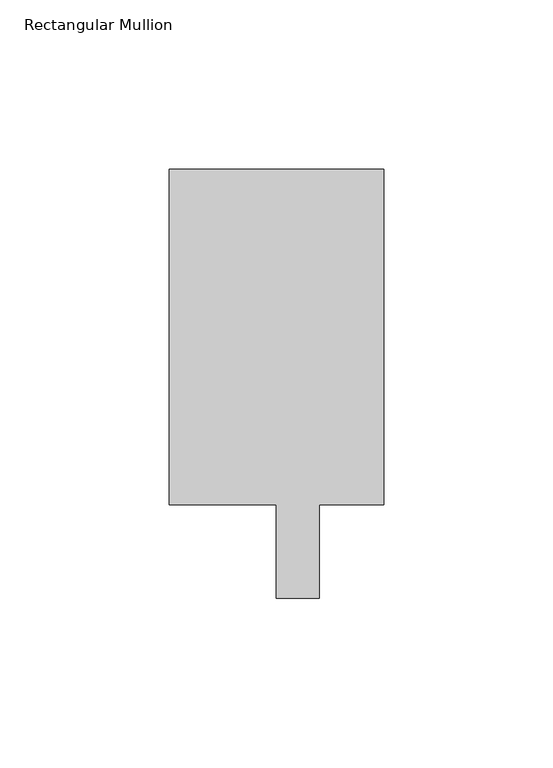
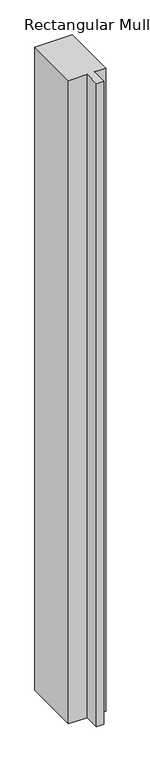
"""IFC4 building model written with IfcOpenShell, lengths in millimetres: member geometry, Rectangular Mullion."""

import ifcopenshell
import ifcopenshell.guid

model = None  # the IFC model being written
_history = None  # IfcOwnerHistory: only IFC2X3 demands one
_inside = {}  # id of a spatial element -> (the spatial element, [elements in it])
_under = {}  # id of a project, library or spatial element -> (it, [spatial elements below it])
_declared = {}  # id of a project -> (the project, [libraries it declares])
_typed = {}  # id of a type object -> (the type object, [elements of that type])
_made_of = {}  # id of a material, layer set ... -> (it, [elements and type objects made of it])


def new_model(schema):
    """Start an empty IFC model of exactly this schema.

    Asked for "IFC4X3", IfcOpenShell would pick the latest addendum, in which some entities
    have other attributes; the version numbers below select the first issue.
    IFC2X3 requires an IfcOwnerHistory on every rooted entity: one is made here for all.
    """
    global model, _history
    if schema == "IFC4X3":
        model = ifcopenshell.file(schema_version=(4, 3, 0, 0))
    else:
        model = ifcopenshell.file(schema=schema)
    _inside.clear()
    _under.clear()
    _declared.clear()
    _typed.clear()
    _made_of.clear()
    _history = None
    if model.schema == "IFC2X3":
        org = make("IfcOrganization", Name="unknown")
        user = make(
            "IfcPersonAndOrganization",
            ThePerson=make("IfcPerson", FamilyName="unknown"),
            TheOrganization=org,
        )
        app = make(
            "IfcApplication",
            ApplicationDeveloper=org,
            Version="unknown",
            ApplicationFullName="unknown",
            ApplicationIdentifier="unknown",
        )
        _history = make(
            "IfcOwnerHistory",
            OwningUser=user,
            OwningApplication=app,
            ChangeAction="ADDED",
            CreationDate=0,
        )
    return model


def make(cls, **values):
    """One entity of the class cls with the attributes given. An attribute that is None is left unset."""
    return model.create_entity(
        cls, **{name: value for name, value in values.items() if value is not None}
    )


def rooted(cls, **values):
    """An entity with a GlobalId (a new one), such as an element, a storey or a relation."""
    return make(cls, GlobalId=ifcopenshell.guid.new(), OwnerHistory=_history, **values)


def si_unit(unit_type, name, prefix=None):
    """IfcSIUnit, for example si_unit("LENGTHUNIT", "METRE", prefix="MILLI")."""
    return make("IfcSIUnit", UnitType=unit_type, Prefix=prefix, Name=name)


def assignment(units):
    """IfcUnitAssignment: the units of a project."""
    return None if units is None else make("IfcUnitAssignment", Units=units)


def point(xyz):
    """IfcCartesianPoint."""
    return None if xyz is None else make("IfcCartesianPoint", Coordinates=xyz)


def direction(xyz):
    """IfcDirection."""
    return None if xyz is None else make("IfcDirection", DirectionRatios=xyz)


def frame(location, z_axis=None, x_axis=None):
    """IfcAxis2Placement3D, a coordinate frame: its origin and axes. An axis left out is left unset."""
    return make(
        "IfcAxis2Placement3D",
        Location=point(location),
        Axis=direction(z_axis),
        RefDirection=direction(x_axis),
    )


def origin():
    """The frame at (0, 0, 0) with its axes left unset."""
    return frame((0.0, 0.0, 0.0))


def place(relative_to, where):
    """IfcLocalPlacement: puts the frame where relative to a parent placement (None: the world)."""
    return make(
        "IfcLocalPlacement", PlacementRelTo=relative_to, RelativePlacement=where
    )


def context(
    kind, dimensions, precision=None, world=None, true_north=None, identifier=None
):
    """IfcGeometricRepresentationContext, for example the 3D "Model" context."""
    return make(
        "IfcGeometricRepresentationContext",
        ContextIdentifier=identifier,
        ContextType=kind,
        CoordinateSpaceDimension=dimensions,
        Precision=precision,
        WorldCoordinateSystem=world,
        TrueNorth=true_north,
    )


def project(units=None, contexts=None):
    """IfcProject with its units and contexts."""
    return rooted(
        "IfcProject",
        Name="project",
        RepresentationContexts=contexts,
        UnitsInContext=assignment(units),
    )


def spatial(cls, under=None, at=None, **own):
    """A site, building, storey or space (cls), placed at a placement, below another one or the project."""
    s = rooted(cls, ObjectPlacement=at, **own)
    if under is not None:
        _under.setdefault(under.id(), (under, []))[1].append(s)
    return s


def polyline(points):
    """IfcPolyline through the points."""
    return make("IfcPolyline", Points=[point(p) for p in points])


def outline(outer, holes=None, kind="AREA"):
    """IfcArbitraryClosedProfileDef: a profile drawn as a closed curve; with holes, ...WithVoids."""
    if holes is None:
        return make("IfcArbitraryClosedProfileDef", ProfileType=kind, OuterCurve=outer)
    return make(
        "IfcArbitraryProfileDefWithVoids",
        ProfileType=kind,
        OuterCurve=outer,
        InnerCurves=holes,
    )


def extrude(swept, where, along, depth):
    """IfcExtrudedAreaSolid: the profile swept, set in the frame where, extruded along a direction by depth."""
    return make(
        "IfcExtrudedAreaSolid",
        SweptArea=swept,
        Position=where,
        ExtrudedDirection=direction(along),
        Depth=depth,
    )


def shape(context_of_items, identifier, shape_type, items):
    """IfcShapeRepresentation: the items that make up one representation, for example the "Body"."""
    return make(
        "IfcShapeRepresentation",
        ContextOfItems=context_of_items,
        RepresentationIdentifier=identifier,
        RepresentationType=shape_type,
        Items=items,
    )


def source(mapping_origin, context_of_items, identifier, shape_type, items):
    """IfcRepresentationMap: a shape defined once, which mapped items show again and again."""
    return make(
        "IfcRepresentationMap",
        MappingOrigin=mapping_origin,
        MappedRepresentation=shape(context_of_items, identifier, shape_type, items),
    )


def transform(
    local_origin,
    x_axis=None,
    y_axis=None,
    z_axis=None,
    scale=None,
    scale2=None,
    scale3=None,
    uniform=True,
):
    """IfcCartesianTransformationOperator3D, or its non-uniform kind. x_axis, y_axis, z_axis: its Axis1, 2, 3."""
    if uniform:
        return make(
            "IfcCartesianTransformationOperator3D",
            Axis1=direction(x_axis),
            Axis2=direction(y_axis),
            LocalOrigin=point(local_origin),
            Scale=scale,
            Axis3=direction(z_axis),
        )
    return make(
        "IfcCartesianTransformationOperator3DnonUniform",
        Axis1=direction(x_axis),
        Axis2=direction(y_axis),
        LocalOrigin=point(local_origin),
        Scale=scale,
        Axis3=direction(z_axis),
        Scale2=scale2,
        Scale3=scale3,
    )


def mapped(mapping_source, mapping_target):
    """IfcMappedItem: shows the shape of a source again, moved by a transform."""
    return make(
        "IfcMappedItem", MappingSource=mapping_source, MappingTarget=mapping_target
    )


def made_of(thing, what):
    """Note that an element or type object is made of a material, layer set ...; save() writes the relation."""
    if what is not None:
        _made_of.setdefault(what.id(), (what, []))[1].append(thing)
    return thing


def element(
    cls,
    number,
    at=None,
    inside=None,
    cuts=None,
    type_object=None,
    material=None,
    context=None,
    identifier="Body",
    shape_type=None,
    held_by="IfcProductDefinitionShape",
    body=None,
    shapes=None,
    **own,
):
    """One element of the class cls, such as IfcWall. Its Tag is "e" and its number.

    at: its placement. inside: the storey or other place that contains it. cuts: it is an
    opening in that element (IfcRelVoidsElement). A single representation is given by context,
    identifier, shape_type and body (its items); several are given by shapes. held_by: the class
    of the entity that holds the representations. save() writes the other relations.
    """
    e = rooted(cls, Tag="e%d" % number, ObjectPlacement=at, **own)
    if body is not None:
        shapes = [shape(context, identifier, shape_type, body)]
    if shapes is not None:
        e.Representation = make(held_by, Representations=shapes)
    if inside is not None:
        _inside.setdefault(inside.id(), (inside, []))[1].append(e)
    if cuts is not None:
        rooted(
            "IfcRelVoidsElement", RelatingBuildingElement=cuts, RelatedOpeningElement=e
        )
    if type_object is not None:
        _typed.setdefault(type_object.id(), (type_object, []))[1].append(e)
    return made_of(e, material)


def aggregate(whole, parts):
    """IfcRelAggregates: a whole, such as a stair, and the parts it consists of."""
    return rooted("IfcRelAggregates", RelatingObject=whole, RelatedObjects=parts)


def save(model, path):
    """Write the relations noted so far, then the file.

    IfcRelAggregates (storeys below a building ...), IfcRelContainedInSpatialStructure (elements
    in a storey), IfcRelDefinesByType, IfcRelAssociatesMaterial and IfcRelDeclares: one each for
    every whole, place, type object, material and project.
    """
    for whole, parts in _under.values():
        aggregate(whole, parts)
    for where, things in _inside.values():
        rooted(
            "IfcRelContainedInSpatialStructure",
            RelatedElements=things,
            RelatingStructure=where,
        )
    for kind, things in _typed.values():
        rooted("IfcRelDefinesByType", RelatedObjects=things, RelatingType=kind)
    for what, things in _made_of.values():
        rooted("IfcRelAssociatesMaterial", RelatedObjects=things, RelatingMaterial=what)
    for by, libraries in _declared.values():
        rooted("IfcRelDeclares", RelatingContext=by, RelatedDefinitions=libraries)
    model.write(path)


def rectangular_mullion_734f09f2(model_context):
    return source(origin(), model_context, "Body", "SweptSolid", [
        extrude(outline(polyline([(-31.75, 138.7038437), (31.75, 138.7038437), (31.75, 39.3898437), (12.7, 39.3898437), (12.7, 11.7038437), (0.0, 11.7038437), (0.0, 39.3898437), (-31.75, 39.3898437), (-31.75, 138.7038437)])), frame((0.0, 0.0, -1162.05), z_axis=(0.0, 0.0, 1.0), x_axis=(1.0, 0.0, 0.0)), (0.0, 0.0, 1.0), 1162.05),
    ])


if __name__ == "__main__":
    model = new_model("IFC4")
    model_context = context("Model", 3, world=origin())
    ifc_project = project(units=[si_unit("LENGTHUNIT", "METRE", prefix="MILLI")], contexts=[model_context])
    site = spatial("IfcSite", under=ifc_project)
    building = spatial("IfcBuilding", under=site)
    placement = place(None, origin())
    rectangular_mullion_shape = rectangular_mullion_734f09f2(model_context)
    element("IfcMember", 1, ObjectType="Rectangular Mullion", at=placement, inside=building, context=model_context, shape_type="MappedRepresentation", body=[
        mapped(rectangular_mullion_shape, transform((0.0, 0.0, 0.0), x_axis=(1.0, 0.0, 0.0), y_axis=(0.0, 1.0, 0.0), z_axis=(0.0, 0.0, 1.0))),
    ])
    save(model, "model.ifc")
